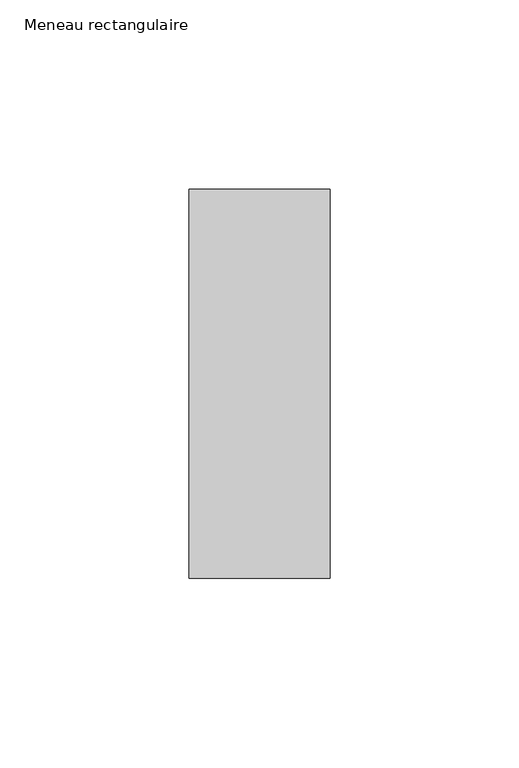
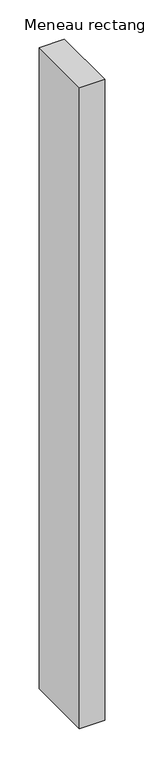
"""IFC4 building model written with IfcOpenShell, lengths in millimetres: member geometry, Meneau rectangulaire."""

from ifc_helpers import new_model, si_unit, frame, origin, place, context, project, spatial, polyline, outline, extrude, source, transform, mapped, element, save


def meneau_rectangulaire_b79a7b79(model_context):
    return source(origin(), model_context, "Body", "SweptSolid", [
        extrude(outline(polyline([(0.0, 51.5), (0.0, -51.5), (-37.3886182, -51.5), (-37.3886182, 51.5), (0.0, 51.5)])), frame((0.0, 0.0, -1000.0), z_axis=(0.0, 0.0, 1.0), x_axis=(1.0, 0.0, 0.0)), (0.0, 0.0, 1.0), 1000.0),
    ])


if __name__ == "__main__":
    model = new_model("IFC4")
    model_context = context("Model", 3, world=origin())
    ifc_project = project(units=[si_unit("LENGTHUNIT", "METRE", prefix="MILLI")], contexts=[model_context])
    site = spatial("IfcSite", under=ifc_project)
    building = spatial("IfcBuilding", under=site)
    placement = place(None, origin())
    meneau_rectangulaire_shape = meneau_rectangulaire_b79a7b79(model_context)
    element("IfcMember", 1, ObjectType="Meneau rectangulaire", at=placement, inside=building, context=model_context, shape_type="MappedRepresentation", body=[
        mapped(meneau_rectangulaire_shape, transform((0.0, 0.0, 0.0), x_axis=(1.0, 0.0, 0.0), y_axis=(0.0, 1.0, 0.0), z_axis=(0.0, 0.0, 1.0))),
    ])
    save(model, "model.ifc")
